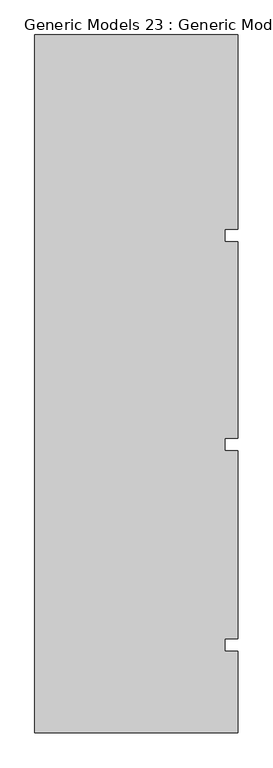
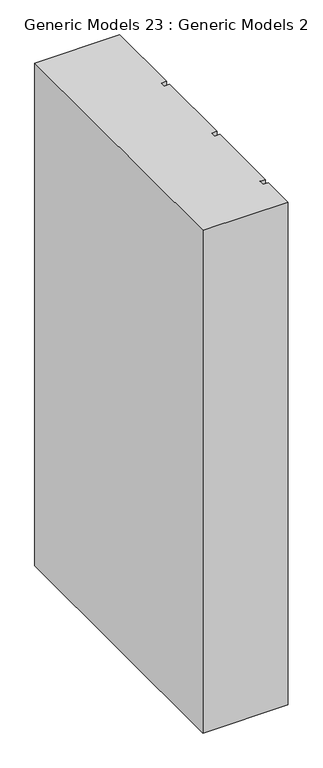
"""IFC4 building model written with IfcOpenShell, lengths in millimetres: proxy geometry, Generic Models 23 : Generic Models 2."""

from ifc_helpers import new_model, si_unit, frame, origin, place, context, project, spatial, polyline, outline, extrude, source, transform, mapped, element, save


def generic_models_23_generic_models_2_e67d88df(model_context):
    return source(origin(), model_context, "Body", "SweptSolid", [
        extrude(outline(polyline([(6158.9891931, -239.4418036), (6646.0314083, -239.4418036), (6646.0314083, -703.851216), (6614.3889077, -703.851216), (6614.3889077, -733.8846489), (6646.0314083, -733.8846489), (6646.0314083, -1203.851216), (6614.3889077, -1203.851216), (6614.3889077, -1233.8846489), (6646.0314083, -1233.8846489), (6646.0314083, -1683.851216), (6614.3889077, -1683.851216), (6614.3889077, -1713.8846489), (6646.0314083, -1713.8846489), (6646.0314083, -1909.2712904), (6158.9891931, -1909.2712904), (6158.9891931, -239.4418036)])), frame((0.0, 0.0, 9000.0), z_axis=(0.0, 0.0, 1.0), x_axis=(1.0, 0.0, 0.0)), (0.0, 0.0, 1.0), 3044.7067261),
    ])


if __name__ == "__main__":
    model = new_model("IFC4")
    model_context = context("Model", 3, world=origin())
    ifc_project = project(units=[si_unit("LENGTHUNIT", "METRE", prefix="MILLI")], contexts=[model_context])
    site = spatial("IfcSite", under=ifc_project)
    building = spatial("IfcBuilding", under=site)
    placement = place(None, origin())
    generic_models_23_generic_models_2_shape = generic_models_23_generic_models_2_e67d88df(model_context)
    element("IfcBuildingElementProxy", 1, Name="Generic Models 23 : Generic Models 2", ObjectType="Generic Models 23 : Generic Models 2", at=placement, inside=building, context=model_context, shape_type="MappedRepresentation", body=[
        mapped(generic_models_23_generic_models_2_shape, transform((0.0, 0.0, 0.0), x_axis=(1.0, 0.0, 0.0), y_axis=(0.0, 1.0, 0.0), z_axis=(0.0, 0.0, 1.0))),
    ])
    save(model, "model.ifc")
